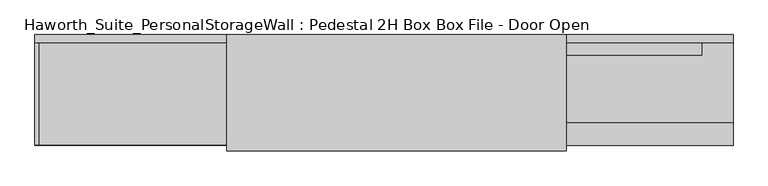
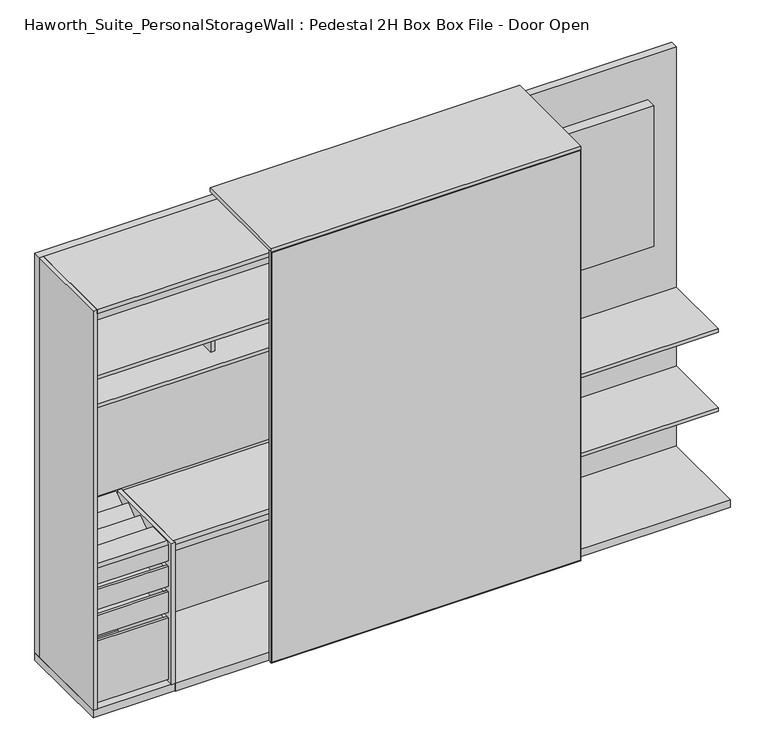
"""IFC4 building model written with IfcOpenShell, lengths in millimetres: furniture geometry, Haworth_Suite_PersonalStorageWall : Pedestal 2H Box Box File - Door Open."""

from ifc_helpers import new_model, si_unit, point, frame, frame_2d, origin, origin_with_axes, place, context, project, spatial, polyline, circle_curve, trimmed, segment, composite_curve, outline, extrude, source, transform, mapped, element, save


def haworth_suite_personalstoragewall_pedestal_2h_box_box_file_582b76dc(model_context):
    return source(origin(), model_context, "Body", "SweptSolid", [
        extrude(outline(polyline([(1070.371875, -202.4059418), (-199.628125, -202.4059418), (-199.628125, -151.6059418), (1070.371875, -151.6059418), (1070.371875, -202.4059418)])), frame((0.0, 0.0, 1127.125), z_axis=(0.0, 0.0, 1.0), x_axis=(1.0, 0.0, 0.0)), (0.0, 0.0, 1.0), 711.2),
        extrude(outline(polyline([(2077.24375, -1003.3), (0.0, -1003.3), (1.5875, -1001.7125), (2075.65625, -1001.7125), (2077.24375, -1003.3)])), frame((0.0, -622.3, 0.0), z_axis=(0.0, 1.0, 0.0), x_axis=(0.0, 0.0, 1.0)), (0.0, 0.0, 1.0), 19.05),
        extrude(outline(polyline([(2077.24375, 477.8375), (2075.65625, 476.25), (1.5875, 476.25), (0.0, 477.8375), (2077.24375, 477.8375)])), frame((0.0, -622.3, 0.0), z_axis=(0.0, 1.0, 0.0), x_axis=(0.0, 0.0, 1.0)), (0.0, 0.0, 1.0), 19.05),
        extrude(outline(polyline([(2075.65625, -1001.7125), (2075.65625, 476.25), (2077.24375, 477.8375), (2077.24375, -1003.3), (2075.65625, -1001.7125)])), frame((0.0, -622.3, 0.0), z_axis=(0.0, 1.0, 0.0), x_axis=(0.0, 0.0, 1.0)), (0.0, 0.0, 1.0), 19.05),
        extrude(outline(polyline([(1.5875, -1001.7125), (0.0, -1003.3), (0.0, 477.8375), (1.5875, 476.25), (1.5875, -1001.7125)])), frame((0.0, -622.3, 0.0), z_axis=(0.0, 1.0, 0.0), x_axis=(0.0, 0.0, 1.0)), (0.0, 0.0, 1.0), 19.05),
        extrude(outline(polyline([(476.25, -604.04375), (476.25, -621.50625), (-1001.7125, -621.50625), (-1001.7125, -604.04375), (476.25, -604.04375)])), frame((0.0, 0.0, 1.5875), z_axis=(0.0, 0.0, 1.0), x_axis=(1.0, 0.0, 0.0)), (0.0, 0.0, 1.0), 2074.06875),
        extrude(outline(polyline([(-1485.9, -567.5309387), (-1485.9, -186.5309387), (-1473.2, -186.5309387), (-1473.2, -567.5309387), (-1485.9, -567.5309387)])), frame((0.0, 0.0, 527.05), z_axis=(0.0, 0.0, 1.0), x_axis=(1.0, 0.0, 0.0)), (0.0, 0.0, 1.0), 101.6),
        extrude(outline(polyline([(-1822.45, -186.5309387), (-1809.75, -186.5309387), (-1809.75, -567.5309387), (-1822.45, -567.5309387), (-1822.45, -186.5309387)])), frame((0.0, 0.0, 527.05), z_axis=(0.0, 0.0, 1.0), x_axis=(1.0, 0.0, 0.0)), (0.0, 0.0, 1.0), 101.6),
        extrude(outline(polyline([(-1822.45, -186.5309387), (-1822.45, -173.8309387), (-1473.2, -173.8309387), (-1473.2, -186.5309387), (-1822.45, -186.5309387)])), frame((0.0, 0.0, 527.05), z_axis=(0.0, 0.0, 1.0), x_axis=(1.0, 0.0, 0.0)), (0.0, 0.0, 1.0), 101.6),
        extrude(outline(polyline([(-1822.45, -580.2309387), (-1822.45, -567.5309387), (-1473.2, -567.5309387), (-1473.2, -580.2309387), (-1822.45, -580.2309387)])), frame((0.0, 0.0, 527.05), z_axis=(0.0, 0.0, 1.0), x_axis=(1.0, 0.0, 0.0)), (0.0, 0.0, 1.0), 101.6),
        extrude(outline(polyline([(-1809.75, -567.5309387), (-1809.75, -186.5309387), (-1485.9, -186.5309387), (-1485.9, -567.5309387), (-1809.75, -567.5309387)])), frame((0.0, 0.0, 527.05), z_axis=(0.0, 0.0, 1.0), x_axis=(1.0, 0.0, 0.0)), (0.0, 0.0, 1.0), 12.7),
        extrude(outline(polyline([(-148.4309387, 749.3), (-147.2970101, 748.1660714), (-248.8970101, 671.9660714), (-250.0309387, 673.1), (-148.4309387, 749.3)])), frame((-1822.45, 0.0, 0.0), z_axis=(1.0, 0.0, 0.0), x_axis=(0.0, 1.0, 0.0)), (0.0, 0.0, 1.0), 349.25),
        extrude(outline(polyline([(-351.6309387, 749.3), (-350.4970101, 748.1660714), (-452.0970101, 671.9660714), (-453.2309387, 673.1), (-351.6309387, 749.3)])), frame((-1822.45, 0.0, 0.0), z_axis=(1.0, 0.0, 0.0), x_axis=(0.0, 1.0, 0.0)), (0.0, 0.0, 1.0), 349.25),
        extrude(outline(polyline([(0.0, -127.0), (0.0, 0.0), (349.25, 0.0), (349.25, -127.0), (0.0, -127.0)])), frame((-1822.45, -249.0784387, 748.03), z_axis=(0.0, -0.5999999999999731, 0.8000000000000203), x_axis=(1.0, 0.0, 0.0)), (0.0, 0.0, 1.0), 1.5875),
        extrude(outline(polyline([(-1822.45, -578.6434387), (-1822.45, -148.4309387), (-1473.2, -148.4309387), (-1473.2, -578.6434387), (-1822.45, -578.6434387)])), frame((0.0, 0.0, 657.225), z_axis=(0.0, 0.0, 1.0), x_axis=(1.0, 0.0, 0.0)), (0.0, 0.0, 1.0), 15.875),
        extrude(outline(composite_curve([segment(trimmed(circle_curve(frame_2d((-567.5309387, 738.1875)), 12.7), [point((-580.2309387, 738.1875))], [point((-567.5309387, 750.8875))], False, "CARTESIAN"), True, "CONTINUOUS"), segment(polyline([(-567.5309387, 750.8875), (-453.2309387, 750.8875), (-453.2309387, 749.3), (-567.5309387, 749.3)]), True, "CONTINUOUS"), segment(trimmed(circle_curve(frame_2d((-567.5309387, 738.1875)), 11.1125), [point((-567.5309387, 749.3))], [point((-578.6434387, 738.1875))], True, "CARTESIAN"), True, "CONTINUOUS"), segment(polyline([(-578.6434387, 738.1875), (-578.6434387, 657.225), (-580.2309387, 657.225), (-580.2309387, 738.1875)]), True, "CONTINUOUS")], self_intersect=False)), frame((-1822.45, 0.0, 0.0), z_axis=(1.0, 0.0, 0.0), x_axis=(0.0, 1.0, 0.0)), (0.0, 0.0, 1.0), 349.25),
        extrude(outline(polyline([(-304.4825, 720.725), (-304.4825, 479.425), (-153.9875, 479.425), (-153.9875, 504.825), (-152.4, 504.825), (-152.4, 477.8375), (-306.07, 477.8375), (-306.07, 719.1375), (-329.8825, 719.1375), (-329.8825, 720.725), (-304.4825, 720.725)])), frame((-1449.3875, 0.0, 0.0), z_axis=(1.0, 0.0, 0.0), x_axis=(0.0, 1.0, 0.0)), (0.0, 0.0, 1.0), 952.5),
        extrude(outline(polyline([(-598.4875, 0.0), (-598.4875, 39.6875), (-152.4, 39.6875), (-152.4, 38.1), (-596.9, 38.1), (-596.9, 0.0), (-598.4875, 0.0)])), frame((-1449.3875, 0.0, 0.0), z_axis=(1.0, 0.0, 0.0), x_axis=(0.0, 1.0, 0.0)), (0.0, 0.0, 1.0), 952.5),
        extrude(outline(composite_curve([segment(trimmed(circle_curve(frame_2d((-582.6125, 738.1875)), 12.7), [point((-595.3125, 738.1875))], [point((-582.6125, 750.8875))], False, "CARTESIAN"), True, "CONTINUOUS"), segment(polyline([(-582.6125, 750.8875), (-163.5125, 750.8875), (-163.5125, 749.3), (-582.6125, 749.3)]), True, "CONTINUOUS"), segment(trimmed(circle_curve(frame_2d((-582.6125, 738.1875)), 11.1125), [point((-582.6125, 749.3))], [point((-593.725, 738.1875))], True, "CARTESIAN"), True, "CONTINUOUS"), segment(polyline([(-593.725, 738.1875), (-593.725, 708.025), (-595.3125, 708.025), (-595.3125, 738.1875)]), True, "CONTINUOUS")], self_intersect=False)), frame((-1449.3875, 0.0, 0.0), z_axis=(1.0, 0.0, 0.0), x_axis=(0.0, 1.0, 0.0)), (0.0, 0.0, 1.0), 952.5),
        extrude(outline(polyline([(-1485.9, -567.5309387), (-1485.9, -186.5309387), (-1473.2, -186.5309387), (-1473.2, -567.5309387), (-1485.9, -567.5309387)])), frame((0.0, 0.0, 396.875), z_axis=(0.0, 0.0, 1.0), x_axis=(1.0, 0.0, 0.0)), (0.0, 0.0, 1.0), 101.6),
        extrude(outline(polyline([(-1822.45, -186.5309387), (-1809.75, -186.5309387), (-1809.75, -567.5309387), (-1822.45, -567.5309387), (-1822.45, -186.5309387)])), frame((0.0, 0.0, 396.875), z_axis=(0.0, 0.0, 1.0), x_axis=(1.0, 0.0, 0.0)), (0.0, 0.0, 1.0), 101.6),
        extrude(outline(polyline([(-1822.45, -186.5309387), (-1822.45, -173.8309387), (-1473.2, -173.8309387), (-1473.2, -186.5309387), (-1822.45, -186.5309387)])), frame((0.0, 0.0, 396.875), z_axis=(0.0, 0.0, 1.0), x_axis=(1.0, 0.0, 0.0)), (0.0, 0.0, 1.0), 101.6),
        extrude(outline(polyline([(-1822.45, -580.2309387), (-1822.45, -567.5309387), (-1473.2, -567.5309387), (-1473.2, -580.2309387), (-1822.45, -580.2309387)])), frame((0.0, 0.0, 396.875), z_axis=(0.0, 0.0, 1.0), x_axis=(1.0, 0.0, 0.0)), (0.0, 0.0, 1.0), 101.6),
        extrude(outline(polyline([(-1809.75, -567.5309387), (-1809.75, -186.5309387), (-1485.9, -186.5309387), (-1485.9, -567.5309387), (-1809.75, -567.5309387)])), frame((0.0, 0.0, 396.875), z_axis=(0.0, 0.0, 1.0), x_axis=(1.0, 0.0, 0.0)), (0.0, 0.0, 1.0), 12.7),
        extrude(outline(polyline([(-1485.9, -567.5309387), (-1485.9, -186.5309387), (-1473.2, -186.5309387), (-1473.2, -567.5309387), (-1485.9, -567.5309387)])), frame((0.0, 0.0, 57.15), z_axis=(0.0, 0.0, 1.0), x_axis=(1.0, 0.0, 0.0)), (0.0, 0.0, 1.0), 311.15),
        extrude(outline(polyline([(-1822.45, -186.5309387), (-1809.75, -186.5309387), (-1809.75, -567.5309387), (-1822.45, -567.5309387), (-1822.45, -186.5309387)])), frame((0.0, 0.0, 57.15), z_axis=(0.0, 0.0, 1.0), x_axis=(1.0, 0.0, 0.0)), (0.0, 0.0, 1.0), 311.15),
        extrude(outline(polyline([(-1822.45, -186.5309387), (-1822.45, -173.8309387), (-1473.2, -173.8309387), (-1473.2, -186.5309387), (-1822.45, -186.5309387)])), frame((0.0, 0.0, 57.15), z_axis=(0.0, 0.0, 1.0), x_axis=(1.0, 0.0, 0.0)), (0.0, 0.0, 1.0), 311.15),
        extrude(outline(polyline([(-1822.45, -580.2309387), (-1822.45, -567.5309387), (-1473.2, -567.5309387), (-1473.2, -580.2309387), (-1822.45, -580.2309387)])), frame((0.0, 0.0, 57.15), z_axis=(0.0, 0.0, 1.0), x_axis=(1.0, 0.0, 0.0)), (0.0, 0.0, 1.0), 311.15),
        extrude(outline(polyline([(-1809.75, -567.5309387), (-1809.75, -186.5309387), (-1485.9, -186.5309387), (-1485.9, -567.5309387), (-1809.75, -567.5309387)])), frame((0.0, 0.0, 57.15), z_axis=(0.0, 0.0, 1.0), x_axis=(1.0, 0.0, 0.0)), (0.0, 0.0, 1.0), 12.7),
        extrude(outline(polyline([(2058.19375, 1206.5), (2058.19375, -1841.5), (38.1, -1841.5), (38.1, 1206.5), (2058.19375, 1206.5)]), holes=[polyline([(161.0999959, -1771.6000015), (567.4999898, -1771.6000015), (567.4999898, -1568.3999909), (161.0999959, -1568.3999909), (161.0999959, -1771.6000015)]), polyline([(504.000014, -1238.2500121), (504.000014, -1435.0999879), (643.7000261, -1435.0999879), (643.7000261, -1238.2500121), (504.000014, -1238.2500121)])]), frame((0.0, -149.5975372, 0.0), z_axis=(0.0, 1.0, 0.0), x_axis=(0.0, 0.0, 1.0)), (0.0, 0.0, 1.0), 35.2975372),
        extrude(outline(polyline([(-327.025, -149.5975372), (-327.025, -596.9), (-1822.45, -596.9), (-1822.45, -149.5975372), (-327.025, -149.5975372)])), frame((0.0, 0.0, 2039.14375), z_axis=(0.0, 0.0, 1.0), x_axis=(1.0, 0.0, 0.0)), (0.0, 0.0, 1.0), 19.05),
        extrude(outline(polyline([(-307.2032339, -596.9), (-326.2532339, -596.9), (-326.2532339, -149.5975372), (-307.2032339, -149.5975372), (-307.2032339, -596.9)])), frame((0.0, 0.0, 38.1), z_axis=(0.0, 0.0, 1.0), x_axis=(1.0, 0.0, 0.0)), (0.0, 0.0, 1.0), 2020.09375),
        extrude(outline(polyline([(-326.2532339, -149.5975372), (-326.2532339, -498.475), (-477.8375, -498.475), (-477.8375, -149.5975372), (-326.2532339, -149.5975372)])), frame((0.0, 0.0, 1627.1875), z_axis=(0.0, 0.0, 1.0), x_axis=(1.0, 0.0, 0.0)), (0.0, 0.0, 1.0), 18.2561531),
        extrude(outline(polyline([(-1822.45, -596.9), (-1841.5, -596.9), (-1841.5, -149.5975372), (-1822.45, -149.5975372), (-1822.45, -596.9)])), frame((0.0, 0.0, 38.1), z_axis=(0.0, 0.0, 1.0), x_axis=(1.0, 0.0, 0.0)), (0.0, 0.0, 1.0), 2020.09375),
        extrude(outline(polyline([(-496.8875, -149.5975372), (-496.8875, -163.5125), (-1809.75, -163.5125), (-1809.75, -149.5975372), (-496.8875, -149.5975372)])), frame((0.0, 0.0, 764.4777447), z_axis=(0.0, 0.0, 1.0), x_axis=(1.0, 0.0, 0.0)), (0.0, 0.0, 1.0), 701.1622827),
        extrude(outline(polyline([(-1150.9375754, -149.5975372), (-1150.9375754, -407.1569331), (-1169.1937286, -407.1569331), (-1169.1937286, -149.5975372), (-1150.9375754, -149.5975372)])), frame((0.0, 0.0, 1500.1875484), z_axis=(0.0, 0.0, 1.0), x_axis=(1.0, 0.0, 0.0)), (0.0, 0.0, 1.0), 126.9999516),
        extrude(outline(polyline([(-496.8875, -149.5975372), (-496.8875, -498.475), (-1822.45, -498.475), (-1822.45, -149.5975372), (-496.8875, -149.5975372)])), frame((0.0, 0.0, 1481.93125), z_axis=(0.0, 0.0, 1.0), x_axis=(1.0, 0.0, 0.0)), (0.0, 0.0, 1.0), 18.2562984),
        extrude(outline(polyline([(-496.8875, -149.5975372), (-496.8875, -498.475), (-1822.45, -498.475), (-1822.45, -149.5975372), (-496.8875, -149.5975372)])), frame((0.0, 0.0, 1627.1875), z_axis=(0.0, 0.0, 1.0), x_axis=(1.0, 0.0, 0.0)), (0.0, 0.0, 1.0), 18.2561531),
        extrude(outline(polyline([(1206.5, -149.5975372), (1206.5, -498.475), (-307.2032339, -498.475), (-307.2032339, -149.5975372), (1206.5, -149.5975372)])), frame((0.0, 0.0, 823.6154732), z_axis=(0.0, 0.0, 1.0), x_axis=(1.0, 0.0, 0.0)), (0.0, 0.0, 1.0), 18.25625),
        extrude(outline(polyline([(1206.5, -149.5975372), (1206.5, -498.475), (-307.2032339, -498.475), (-307.2032339, -149.5975372), (1206.5, -149.5975372)])), frame((0.0, 0.0, 424.3592232), z_axis=(0.0, 0.0, 1.0), x_axis=(1.0, 0.0, 0.0)), (0.0, 0.0, 1.0), 18.25625),
        extrude(outline(polyline([(477.8375, -114.3), (477.8375, -622.3), (-1003.3, -622.3), (-1003.3, -114.3), (477.8375, -114.3)])), frame((0.0, 0.0, 2077.24375), z_axis=(0.0, 0.0, 1.0), x_axis=(1.0, 0.0, 0.0)), (0.0, 0.0, 1.0), 19.05),
        extrude(outline(polyline([(-1447.7995299, -596.9), (-1466.8495299, -596.9), (-1466.8495299, -149.5975372), (-1447.7995299, -149.5975372), (-1447.7995299, -596.9)])), frame((0.0, 0.0, 38.1), z_axis=(0.0, 0.0, 1.0), x_axis=(1.0, 0.0, 0.0)), (0.0, 0.0, 1.0), 712.7875),
        extrude(outline(polyline([(1206.5, -114.3), (1206.5, -596.9), (-1841.5, -596.9), (-1841.5, -114.3), (1206.5, -114.3)])), origin_with_axes(), (0.0, 0.0, 1.0), 38.1),
        extrude(outline(polyline([(-477.8375, -596.9), (-496.8875, -596.9), (-496.8875, -149.5975372), (-477.8375, -149.5975372), (-477.8375, -596.9)])), frame((0.0, 0.0, 38.1), z_axis=(0.0, 0.0, 1.0), x_axis=(1.0, 0.0, 0.0)), (0.0, 0.0, 1.0), 2001.04375),
    ])


if __name__ == "__main__":
    model = new_model("IFC4")
    model_context = context("Model", 3, world=origin())
    ifc_project = project(units=[si_unit("LENGTHUNIT", "METRE", prefix="MILLI")], contexts=[model_context])
    site = spatial("IfcSite", under=ifc_project)
    building = spatial("IfcBuilding", under=site)
    placement = place(None, origin())
    haworth_suite_personalstoragewall_pedestal_2h_box_box_file_shape = haworth_suite_personalstoragewall_pedestal_2h_box_box_file_582b76dc(model_context)
    element("IfcFurniture", 1, ObjectType="Haworth_Suite_PersonalStorageWall : Pedestal 2H Box Box File - Door Open", at=placement, inside=building, context=model_context, shape_type="MappedRepresentation", body=[
        mapped(haworth_suite_personalstoragewall_pedestal_2h_box_box_file_shape, transform((0.0, 0.0, 0.0), x_axis=(1.0, 0.0, 0.0), y_axis=(0.0, 1.0, 0.0), z_axis=(0.0, 0.0, 1.0))),
    ])
    save(model, "model.ifc")
